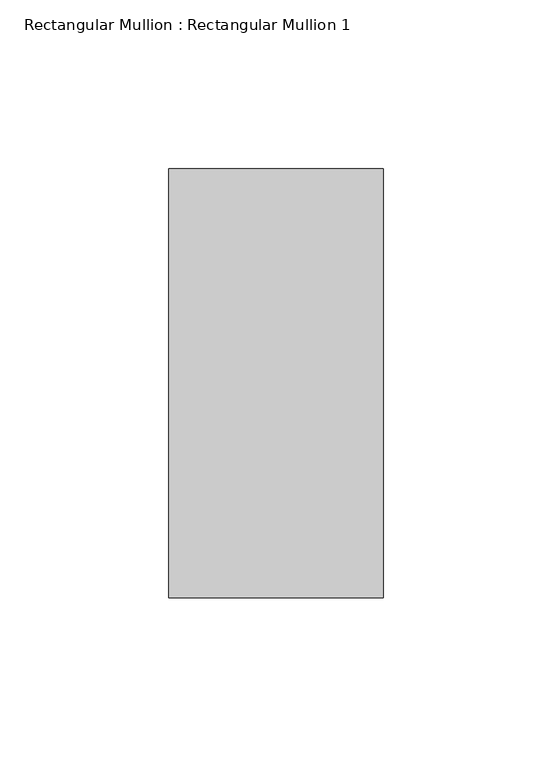
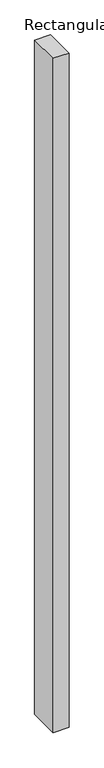
"""IFC4 building model written with IfcOpenShell, lengths in millimetres: member geometry, Rectangular Mullion : Rectangular Mullion 1."""

from ifc_helpers import new_model, si_unit, frame, origin, place, context, project, spatial, polyline, outline, extrude, source, transform, mapped, element, save


def rectangular_mullion_rectangular_mullion_1_0d418e59(model_context):
    return source(origin(), model_context, "Body", "SweptSolid", [
        extrude(outline(polyline([(31.75, 63.5), (31.75, -63.5), (-31.75, -63.5), (-31.75, 63.5), (31.75, 63.5)])), frame((0.0, 0.0, -2841.0141079), z_axis=(0.0, 0.0, 1.0), x_axis=(1.0, 0.0, 0.0)), (0.0, 0.0, 1.0), 2841.0141079),
    ])


if __name__ == "__main__":
    model = new_model("IFC4")
    model_context = context("Model", 3, world=origin())
    ifc_project = project(units=[si_unit("LENGTHUNIT", "METRE", prefix="MILLI")], contexts=[model_context])
    site = spatial("IfcSite", under=ifc_project)
    building = spatial("IfcBuilding", under=site)
    placement = place(None, origin())
    rectangular_mullion_rectangular_mullion_1_shape = rectangular_mullion_rectangular_mullion_1_0d418e59(model_context)
    element("IfcMember", 1, ObjectType="Rectangular Mullion : Rectangular Mullion 1", at=placement, inside=building, context=model_context, shape_type="MappedRepresentation", body=[
        mapped(rectangular_mullion_rectangular_mullion_1_shape, transform((0.0, 0.0, 0.0), x_axis=(1.0, 0.0, 0.0), y_axis=(0.0, 1.0, 0.0), z_axis=(0.0, 0.0, 1.0))),
    ])
    save(model, "model.ifc")
